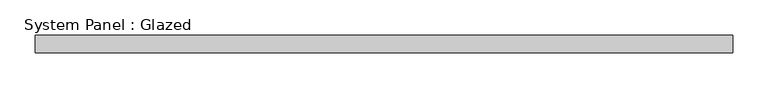
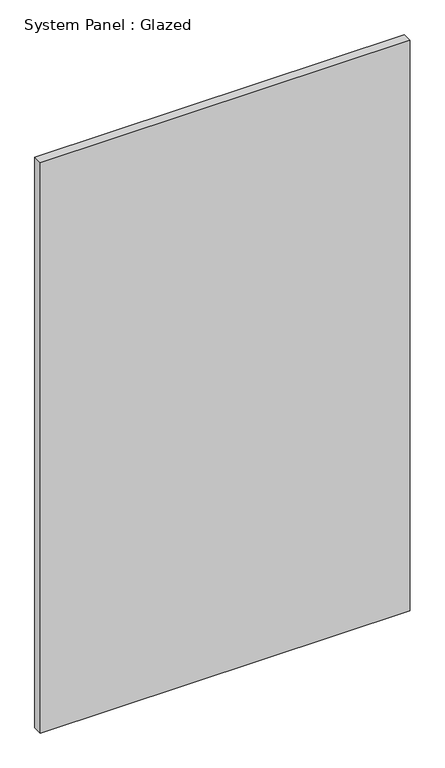
"""IFC4 building model written with IfcOpenShell, lengths in millimetres: plate geometry, System Panel : Glazed."""

from ifc_helpers import new_model, si_unit, origin, origin_with_axes, place, context, project, spatial, polyline, outline, extrude, source, transform, mapped, element, save


def system_panel_glazed_3b8f4958(model_context):
    return source(origin(), model_context, "Body", "SweptSolid", [
        extrude(outline(polyline([(498.475, -12.7), (-498.475, -12.7), (-498.475, 12.7), (498.475, 12.7), (498.475, -12.7)])), origin_with_axes(), (0.0, 0.0, 1.0), 1625.6),
    ])


if __name__ == "__main__":
    model = new_model("IFC4")
    model_context = context("Model", 3, world=origin())
    ifc_project = project(units=[si_unit("LENGTHUNIT", "METRE", prefix="MILLI")], contexts=[model_context])
    site = spatial("IfcSite", under=ifc_project)
    building = spatial("IfcBuilding", under=site)
    placement = place(None, origin())
    system_panel_glazed_shape = system_panel_glazed_3b8f4958(model_context)
    element("IfcPlate", 1, ObjectType="System Panel : Glazed", at=placement, inside=building, context=model_context, shape_type="MappedRepresentation", body=[
        mapped(system_panel_glazed_shape, transform((0.0, 0.0, 0.0), x_axis=(1.0, 0.0, 0.0), y_axis=(0.0, 1.0, 0.0), z_axis=(0.0, 0.0, 1.0))),
    ])
    save(model, "model.ifc")
